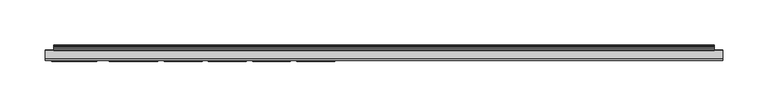
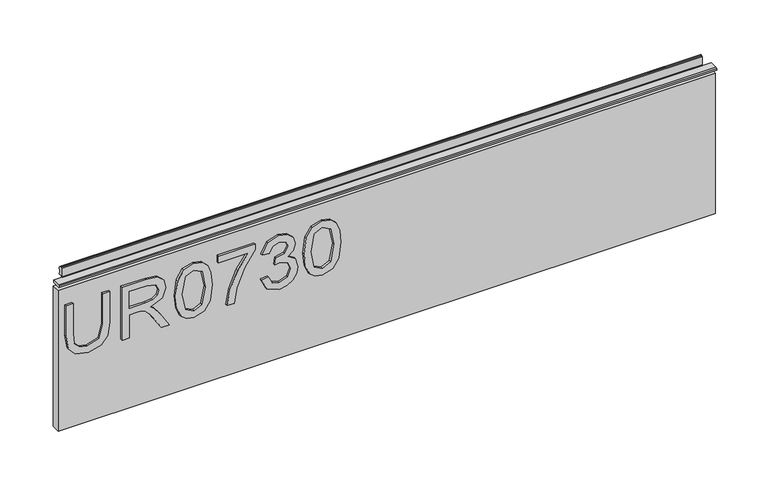
"""IFC4 building model written with IfcOpenShell, lengths in millimetres: furniture geometry."""

from ifc_helpers import new_model, si_unit, frame, origin, place, context, project, spatial, polyline, outline, extrude, source, transform, mapped, element, save


def furniture_6cebcb8f(model_context):
    return source(origin(), model_context, "Body", "SweptSolid", [
        extrude(outline(polyline([(1015.1975569, -249.406548), (978.6772981, -249.406548), (962.5741222, -253.4401289), (958.3848047, -266.9425017), (960.5028239, -276.3178517), (966.5220478, -281.7219156), (978.6772981, -283.2948564), (1015.1975569, -283.2948564), (1015.1975569, -291.268576), (978.3969721, -291.268576), (962.4261723, -288.8468702), (953.4946719, -280.7641349), (950.411085, -266.1949655), (953.9540952, -251.3999779), (963.1425612, -243.5975687), (978.3969721, -241.4328284), (1015.1975569, -241.4328284), (1015.1975569, -249.406548)])), frame((0.0, -6.7767932, 0.0), z_axis=(0.0, 1.0, 0.0), x_axis=(0.0, 0.0, 1.0)), (0.0, 0.0, 1.0), 2.38125),
        extrude(outline(polyline([(951.4078, -227.4788191), (951.4078, -219.5050995), (979.3158187, -219.5050995), (979.3158187, -209.8805707), (979.0354926, -205.2551904), (977.5170596, -201.4630015), (973.38225, -197.2503234), (964.6298468, -191.25446), (951.4078, -182.9536933), (951.4078, -173.687359), (968.694575, -184.3241764), (976.9018996, -190.7872499), (980.3125336, -195.3191882), (986.2461023, -181.9647652), (997.7394716, -177.6430715), (1007.3873609, -180.2516614), (1013.4766663, -187.2286661), (1015.1975569, -199.9912895), (1015.1975569, -227.4788191), (951.4078, -227.4788191)]), holes=[polyline([(987.2895383, -219.5050995), (1007.2238373, -219.5050995), (1007.2238373, -199.6486688), (1004.4672975, -188.9884909), (997.4435719, -185.6167911), (992.0317211, -187.3844028), (988.4186294, -192.5548616), (987.2895383, -201.6576724), (987.2895383, -219.5050995)])]), frame((0.0, -6.7767932, 0.0), z_axis=(0.0, 1.0, 0.0), x_axis=(0.0, 0.0, 1.0)), (0.0, 0.0, 1.0), 2.38125),
        extrude(outline(polyline([(982.7887473, -166.679207), (967.2734775, -165.0906925), (956.4848168, -160.3251492), (951.929518, -154.033386), (950.411085, -145.748193), (953.9073742, -134.0757265), (964.5130443, -127.137656), (982.7887473, -124.817179), (997.7784058, -126.2655304), (1007.2160505, -130.0032115), (1013.1418324, -136.4351377), (1015.1975569, -145.748193), (1011.7246283, -157.3739385), (1001.1423188, -164.3353695), (982.7887473, -166.679207)]), holes=[polyline([(982.804321, -158.7054874), (1002.9566514, -154.8432169), (1007.2238373, -145.841635), (1002.3804256, -136.4039903), (982.804321, -132.7908986), (963.0179718, -136.5285797), (958.3848047, -145.748193), (963.0023982, -154.9678063), (982.804321, -158.7054874)])]), frame((0.0, -6.7767932, 0.0), z_axis=(0.0, 1.0, 0.0), x_axis=(0.0, 0.0, 1.0)), (0.0, 0.0, 1.0), 2.38125),
        extrude(outline(polyline([(1006.2271224, -117.8401743), (1006.2271224, -83.951866), (989.7268178, -96.0058874), (969.3953902, -104.7037827), (951.4078, -107.8730248), (951.4078, -99.8993052), (968.741296, -96.9403077), (990.5989434, -87.8530706), (1007.7533421, -75.9781463), (1014.200842, -75.9781463), (1014.200842, -117.8401743), (1006.2271224, -117.8401743)])), frame((0.0, -6.7767932, 0.0), z_axis=(0.0, 1.0, 0.0), x_axis=(0.0, 0.0, 1.0)), (0.0, 0.0, 1.0), 2.38125),
        extrude(outline(polyline([(968.3519542, -69.0011417), (955.4102335, -62.6626575), (950.411085, -48.6775009), (951.8750101, -40.1548093), (956.2667854, -33.2439928), (962.7610063, -28.6653335), (970.5322681, -27.1391137), (980.9043331, -30.1915532), (986.355118, -38.8816617), (991.6345925, -32.3407198), (998.9853653, -30.1292585), (1007.0291664, -32.4575224), (1013.0094562, -39.1853483), (1015.1975569, -48.8020902), (1010.7590607, -61.4790585), (998.2534028, -68.0044267), (997.2566878, -60.0307071), (1004.7320499, -56.1217157), (1007.2238373, -48.5217641), (1004.7554105, -41.0152547), (998.5181552, -38.1029782), (991.4788558, -42.1209853), (989.2829682, -52.4463293), (981.3092486, -53.3340285), (982.1813742, -47.7430806), (978.91869, -38.679204), (970.6724312, -35.1128333), (961.920028, -38.7103513), (958.3848047, -48.3971748), (960.9544604, -56.62786), (969.3486691, -61.0274221), (968.3519542, -69.0011417)])), frame((0.0, -6.7767932, 0.0), z_axis=(0.0, 1.0, 0.0), x_axis=(0.0, 0.0, 1.0)), (0.0, 0.0, 1.0), 2.38125),
        extrude(outline(polyline([(982.7887473, -20.162109), (967.2734775, -18.5735946), (956.4848168, -13.8080512), (951.929518, -7.5162881), (950.411085, 0.768905), (953.9073742, 12.4413715), (964.5130443, 19.379442), (982.7887473, 21.699919), (997.7784058, 20.2515676), (1007.2160505, 16.5138865), (1013.1418324, 10.0819603), (1015.1975569, 0.768905), (1011.7246283, -10.8568405), (1001.1423188, -17.8182715), (982.7887473, -20.162109)]), holes=[polyline([(982.804321, -12.1883894), (1002.9566514, -8.326119), (1007.2238373, 0.675463), (1002.3804256, 10.1131077), (982.804321, 13.7261994), (963.0179718, 9.9885183), (958.3848047, 0.768905), (963.0023982, -8.4507083), (982.804321, -12.1883894)])]), frame((0.0, -6.7767932, 0.0), z_axis=(0.0, 1.0, 0.0), x_axis=(0.0, 0.0, 1.0)), (0.0, 0.0, 1.0), 2.38125),
        extrude(outline(polyline([(5.5562561, 1041.4), (6.3500061, 1041.4), (6.3500061, 1051.27425), (7.1437561, 1052.068), (8.6677569, 1052.068), (10.0084363, 1051.6506926), (10.875413, 1050.5461816), (10.9623604, 1049.1447591), (10.2390011, 1046.1863459), (10.4046103, 1044.9833307), (11.6746103, 1042.7836103), (10.7786383, 1042.2663244), (7.1437561, 1042.2663244), (7.1437561, 1041.4), (6.3500061, 1041.1669239), (6.3500061, 1033.9578), (5.5562561, 1033.9578), (5.5562561, 1041.4)])), frame((-288.671, 0.0, 0.0), z_axis=(1.0, 0.0, 0.0), x_axis=(0.0, 1.0, 0.0)), (0.0, 0.0, 1.0), 729.742),
        extrude(outline(polyline([(5.5562561, 1041.4), (5.5562561, 1038.2249996), (-3.975094, 1038.2249996), (-5.3492339, 1039.0183657), (-5.3492339, 1040.6066395), (-3.9751037, 1041.4), (5.5562561, 1041.4)])), frame((-298.196, 0.0, 0.0), z_axis=(1.0, 0.0, 0.0), x_axis=(0.0, 1.0, 0.0)), (0.0, 0.0, 1.0), 748.792),
        extrude(outline(polyline([(450.596, 6.3500061), (450.596, -3.1749939), (-298.196, -3.1749939), (-298.196, 6.3500061), (450.596, 6.3500061)])), frame((0.0, 0.0, 864.4381927), z_axis=(0.0, 0.0, 1.0), x_axis=(1.0, 0.0, 0.0)), (0.0, 0.0, 1.0), 169.5196073),
    ])


if __name__ == "__main__":
    model = new_model("IFC4")
    model_context = context("Model", 3, world=origin())
    ifc_project = project(units=[si_unit("LENGTHUNIT", "METRE", prefix="MILLI")], contexts=[model_context])
    site = spatial("IfcSite", under=ifc_project)
    building = spatial("IfcBuilding", under=site)
    placement = place(None, origin())
    furniture_shape = furniture_6cebcb8f(model_context)
    element("IfcFurniture", 1, at=placement, inside=building, context=model_context, shape_type="MappedRepresentation", body=[
        mapped(furniture_shape, transform((0.0, 0.0, 0.0), x_axis=(1.0, 0.0, 0.0), y_axis=(0.0, 1.0, 0.0), z_axis=(0.0, 0.0, 1.0))),
    ])
    save(model, "model.ifc")
